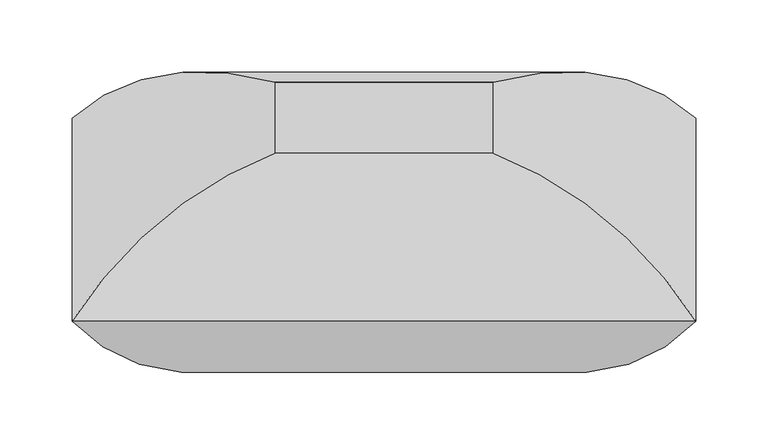
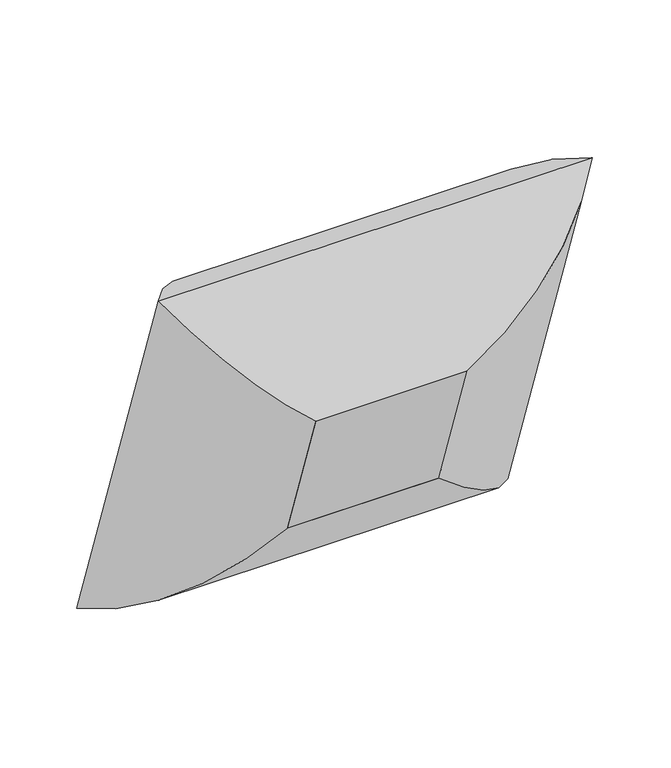
"""IFC4 building model written with IfcOpenShell, lengths in millimetres: furniture geometry."""

from ifc_helpers import new_model, si_unit, frame, origin, place, context, project, spatial, polyline, ellipse_curve, outline, extrude, source, transform, mapped, element, save
from ifc_brep_helpers import plane_surface, cylinder_surface, advanced_brep


def furniture_00f45345(model_context):
    return source(origin(), model_context, "Body", "SolidModel", [
        advanced_brep(
        [(-75.40625, -168.3628069, 681.5749575), (-215.5741804, -140.3681761, 839.4587839), (-215.5741804, 0.0, 431.8), (-75.40625, -119.2630596, 538.9789373), (-75.40625, -24.265776, 731.1915443), (-75.40625, 24.8339713, 588.5955241), (215.5741804, 0.0, 431.8), (75.40625, -119.2630596, 538.9789373), (75.40625, 24.8339713, 588.5955241), (215.5741804, -140.3681761, 839.4587839), (75.40625, -168.3628069, 681.5749575), (75.40625, -24.265776, 731.1915443)],
        [
            (0, 1, ellipse_curve(frame((-70.626504, -2.5797167, 733.6034951), z_axis=(-0.7071067811865474, 0.23021144975504046, -0.6685825965441237), x_axis=(-0.7071067811865474, -0.23021144975504035, 0.6685825965441238)), 245.7274984, 173.7555804)),
            (1, 2),
            (2, 3, ellipse_curve(frame((-70.626504, 43.4077645, 600.0461521), z_axis=(-0.7071067811865475, -0.23021144975504051, 0.6685825965441238), x_axis=(0.7071067811865476, -0.23021144975504026, 0.6685825965441236)), 245.7274984, 173.7555804)),
            (3, 0),
            (4, 0),
            (3, 5),
            (5, 4),
            (1, 4, ellipse_curve(frame((-66.2179464, -197.4752978, 661.8329831), z_axis=(-0.7071067811865474, 0.23021144975504046, -0.6685825965441237), x_axis=(-0.7071067811865474, -0.23021144975504035, 0.6685825965441238)), 263.8641638, 186.5801395)),
            (5, 2, ellipse_curve(frame((-66.2179464, -154.3583886, 536.6123863), z_axis=(-0.7071067811865475, -0.23021144975504051, 0.6685825965441238), x_axis=(0.7071067811865476, -0.23021144975504026, 0.6685825965441236)), 263.8641638, 186.5801395)),
            (2, 6),
            (6, 7, ellipse_curve(frame((70.626504, 43.4077645, 600.0461521), z_axis=(-0.7071067811865475, 0.2302114497550402, -0.6685825965441237), x_axis=(-0.7071067811865478, -0.23021144975504032, 0.6685825965441236)), 245.7274984, 173.7555804)),
            (7, 3),
            (7, 8),
            (8, 5),
            (8, 6, ellipse_curve(frame((66.2179464, -154.3583886, 536.6123863), z_axis=(-0.7071067811865475, 0.2302114497550402, -0.6685825965441237), x_axis=(-0.7071067811865478, -0.23021144975504032, 0.6685825965441236)), 263.8641638, 186.5801395)),
            (6, 9),
            (9, 10, ellipse_curve(frame((70.626504, -2.5797167, 733.6034951), z_axis=(0.7071067811865475, 0.23021144975504024, -0.6685825965441238), x_axis=(-0.7071067811865475, 0.2302114497550404, -0.6685825965441238)), 245.7274984, 173.7555804)),
            (10, 7),
            (10, 11),
            (11, 8),
            (11, 9, ellipse_curve(frame((66.2179464, -197.4752978, 661.8329831), z_axis=(0.7071067811865475, 0.23021144975504024, -0.6685825965441238), x_axis=(-0.7071067811865475, 0.2302114497550404, -0.6685825965441238)), 263.8641638, 186.5801395)),
            (9, 1),
            (0, 10),
            (4, 11),
        ],
        [
            cylinder_surface(frame((-70.626504, -4.1358497, 738.1228337), z_axis=(0.0, -0.3255681544571505, 0.945518575599319), x_axis=(0.0, -0.945518575599319, -0.3255681544571505)), 173.7555804),
            plane_surface(frame((-75.40625, -168.3628069, 681.5749575), z_axis=(1.0, 0.0, 0.0), x_axis=(0.0, 0.3255681544571505, -0.945518575599319))),
            cylinder_surface(frame((-66.2179464, -200.4667169, 670.5206948), z_axis=(0.0, -0.3255681544571505, 0.945518575599319), x_axis=(0.0, -0.945518575599319, -0.3255681544571505)), 186.5801395),
            cylinder_surface(frame((-75.40625, 43.4077645, 600.0461521), z_axis=(-1.0, 0.0, 0.0), x_axis=(0.0, -0.9455185755993191, -0.3255681544571501)), 173.7555804),
            plane_surface(frame((-75.40625, -119.2630596, 538.9789373), z_axis=(0.0, -0.32556815445715, 0.9455185755993192), x_axis=(1.0, 0.0, 0.0))),
            cylinder_surface(frame((-75.40625, -154.3583886, 536.6123863), z_axis=(-1.0, 0.0, 0.0), x_axis=(0.0, -0.9455185755993191, -0.3255681544571501)), 186.5801395),
            cylinder_surface(frame((70.626504, 44.9638976, 595.5268135), z_axis=(0.0, 0.32556815445715037, -0.9455185755993191), x_axis=(0.0, -0.9455185755993191, -0.32556815445715037)), 173.7555804),
            plane_surface(frame((75.40625, -119.2630596, 538.9789373), z_axis=(-1.0, 0.0, 0.0), x_axis=(0.0, -0.32556815445715076, 0.9455185755993188))),
            cylinder_surface(frame((66.2179464, -151.3669696, 527.9246746), z_axis=(0.0, 0.32556815445715037, -0.9455185755993191), x_axis=(0.0, -0.9455185755993191, -0.32556815445715037)), 186.5801395),
            cylinder_surface(frame((75.40625, -2.5797167, 733.6034951), z_axis=(1.0000000000000002, 0.0, 0.0), x_axis=(0.0, -0.945518575599319, -0.32556815445715087)), 173.7555804),
            plane_surface(frame((75.40625, -168.3628069, 681.5749575), z_axis=(0.0, 0.3255681544571509, -0.9455185755993188), x_axis=(-1.0, 0.0, 0.0))),
            cylinder_surface(frame((75.40625, -197.4752978, 661.8329831), z_axis=(1.0000000000000002, 0.0, 0.0), x_axis=(0.0, -0.945518575599319, -0.32556815445715087)), 186.5801395),
        ],
        [
            (0, [[1, 2, 3, 4]]),
            (1, [[5, -4, 6, 7]]),
            (2, [[8, -7, 9, -2]]),
            (3, [[-3, 10, 11, 12]]),
            (4, [[-6, -12, 13, 14]]),
            (5, [[-9, -14, 15, -10]]),
            (6, [[-11, 16, 17, 18]]),
            (7, [[-13, -18, 19, 20]]),
            (8, [[-15, -20, 21, -16]]),
            (9, [[-17, 22, -1, 23]]),
            (10, [[-19, -23, -5, 24]]),
            (11, [[-21, -24, -8, -22]]),
        ],
    ),
        extrude(outline(polyline([(0.0, -150.8125), (0.0, 0.0), (152.4, 0.0), (152.4, -150.8125), (0.0, -150.8125)])), frame((-75.40625, -119.2630596, 538.9789373), z_axis=(0.0, -0.3255681544571503, 0.9455185755993191), x_axis=(0.0, 0.9455185755993191, 0.3255681544571503)), (0.0, 0.0, 1.0), 150.8125),
    ])


if __name__ == "__main__":
    model = new_model("IFC4")
    model_context = context("Model", 3, world=origin())
    ifc_project = project(units=[si_unit("LENGTHUNIT", "METRE", prefix="MILLI")], contexts=[model_context])
    site = spatial("IfcSite", under=ifc_project)
    building = spatial("IfcBuilding", under=site)
    placement = place(None, origin())
    furniture_shape = furniture_00f45345(model_context)
    element("IfcFurniture", 1, at=placement, inside=building, context=model_context, shape_type="MappedRepresentation", body=[
        mapped(furniture_shape, transform((0.0, 0.0, 0.0), x_axis=(1.0, 0.0, 0.0), y_axis=(0.0, 1.0, 0.0), z_axis=(0.0, 0.0, 1.0))),
    ])
    save(model, "model.ifc")
